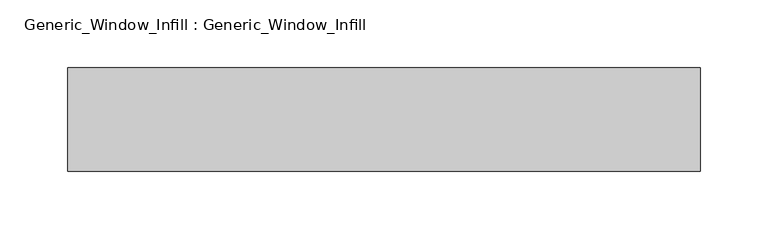
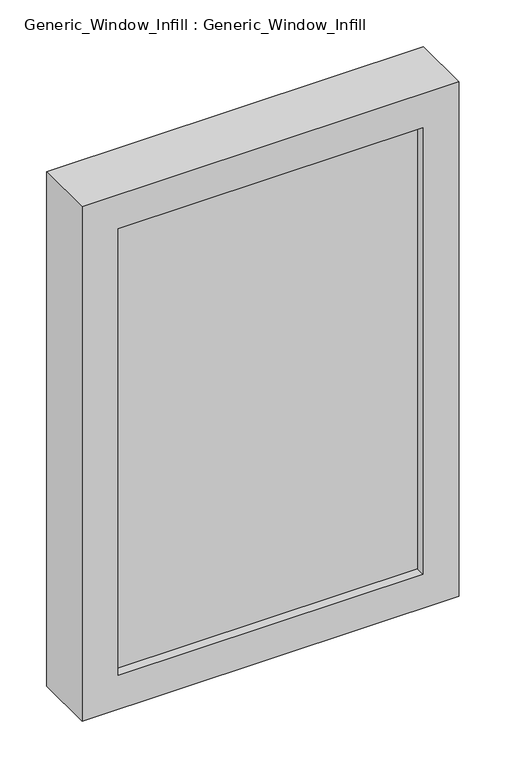
"""IFC4 building model written with IfcOpenShell, lengths in millimetres: plate geometry, Generic_Window_Infill : Generic_Window_Infill."""

import ifcopenshell
import ifcopenshell.guid

model = None  # the IFC model being written
_history = None  # IfcOwnerHistory: only IFC2X3 demands one
_inside = {}  # id of a spatial element -> (the spatial element, [elements in it])
_under = {}  # id of a project, library or spatial element -> (it, [spatial elements below it])
_declared = {}  # id of a project -> (the project, [libraries it declares])
_typed = {}  # id of a type object -> (the type object, [elements of that type])
_made_of = {}  # id of a material, layer set ... -> (it, [elements and type objects made of it])


def new_model(schema):
    """Start an empty IFC model of exactly this schema.

    Asked for "IFC4X3", IfcOpenShell would pick the latest addendum, in which some entities
    have other attributes; the version numbers below select the first issue.
    IFC2X3 requires an IfcOwnerHistory on every rooted entity: one is made here for all.
    """
    global model, _history
    if schema == "IFC4X3":
        model = ifcopenshell.file(schema_version=(4, 3, 0, 0))
    else:
        model = ifcopenshell.file(schema=schema)
    _inside.clear()
    _under.clear()
    _declared.clear()
    _typed.clear()
    _made_of.clear()
    _history = None
    if model.schema == "IFC2X3":
        org = make("IfcOrganization", Name="unknown")
        user = make(
            "IfcPersonAndOrganization",
            ThePerson=make("IfcPerson", FamilyName="unknown"),
            TheOrganization=org,
        )
        app = make(
            "IfcApplication",
            ApplicationDeveloper=org,
            Version="unknown",
            ApplicationFullName="unknown",
            ApplicationIdentifier="unknown",
        )
        _history = make(
            "IfcOwnerHistory",
            OwningUser=user,
            OwningApplication=app,
            ChangeAction="ADDED",
            CreationDate=0,
        )
    return model


def make(cls, **values):
    """One entity of the class cls with the attributes given. An attribute that is None is left unset."""
    return model.create_entity(
        cls, **{name: value for name, value in values.items() if value is not None}
    )


def rooted(cls, **values):
    """An entity with a GlobalId (a new one), such as an element, a storey or a relation."""
    return make(cls, GlobalId=ifcopenshell.guid.new(), OwnerHistory=_history, **values)


def si_unit(unit_type, name, prefix=None):
    """IfcSIUnit, for example si_unit("LENGTHUNIT", "METRE", prefix="MILLI")."""
    return make("IfcSIUnit", UnitType=unit_type, Prefix=prefix, Name=name)


def assignment(units):
    """IfcUnitAssignment: the units of a project."""
    return None if units is None else make("IfcUnitAssignment", Units=units)


def point(xyz):
    """IfcCartesianPoint."""
    return None if xyz is None else make("IfcCartesianPoint", Coordinates=xyz)


def direction(xyz):
    """IfcDirection."""
    return None if xyz is None else make("IfcDirection", DirectionRatios=xyz)


def frame(location, z_axis=None, x_axis=None):
    """IfcAxis2Placement3D, a coordinate frame: its origin and axes. An axis left out is left unset."""
    return make(
        "IfcAxis2Placement3D",
        Location=point(location),
        Axis=direction(z_axis),
        RefDirection=direction(x_axis),
    )


def origin():
    """The frame at (0, 0, 0) with its axes left unset."""
    return frame((0.0, 0.0, 0.0))


def place(relative_to, where):
    """IfcLocalPlacement: puts the frame where relative to a parent placement (None: the world)."""
    return make(
        "IfcLocalPlacement", PlacementRelTo=relative_to, RelativePlacement=where
    )


def context(
    kind, dimensions, precision=None, world=None, true_north=None, identifier=None
):
    """IfcGeometricRepresentationContext, for example the 3D "Model" context."""
    return make(
        "IfcGeometricRepresentationContext",
        ContextIdentifier=identifier,
        ContextType=kind,
        CoordinateSpaceDimension=dimensions,
        Precision=precision,
        WorldCoordinateSystem=world,
        TrueNorth=true_north,
    )


def project(units=None, contexts=None):
    """IfcProject with its units and contexts."""
    return rooted(
        "IfcProject",
        Name="project",
        RepresentationContexts=contexts,
        UnitsInContext=assignment(units),
    )


def spatial(cls, under=None, at=None, **own):
    """A site, building, storey or space (cls), placed at a placement, below another one or the project."""
    s = rooted(cls, ObjectPlacement=at, **own)
    if under is not None:
        _under.setdefault(under.id(), (under, []))[1].append(s)
    return s


def polyline(points):
    """IfcPolyline through the points."""
    return make("IfcPolyline", Points=[point(p) for p in points])


def outline(outer, holes=None, kind="AREA"):
    """IfcArbitraryClosedProfileDef: a profile drawn as a closed curve; with holes, ...WithVoids."""
    if holes is None:
        return make("IfcArbitraryClosedProfileDef", ProfileType=kind, OuterCurve=outer)
    return make(
        "IfcArbitraryProfileDefWithVoids",
        ProfileType=kind,
        OuterCurve=outer,
        InnerCurves=holes,
    )


def extrude(swept, where, along, depth):
    """IfcExtrudedAreaSolid: the profile swept, set in the frame where, extruded along a direction by depth."""
    return make(
        "IfcExtrudedAreaSolid",
        SweptArea=swept,
        Position=where,
        ExtrudedDirection=direction(along),
        Depth=depth,
    )


def shape(context_of_items, identifier, shape_type, items):
    """IfcShapeRepresentation: the items that make up one representation, for example the "Body"."""
    return make(
        "IfcShapeRepresentation",
        ContextOfItems=context_of_items,
        RepresentationIdentifier=identifier,
        RepresentationType=shape_type,
        Items=items,
    )


def source(mapping_origin, context_of_items, identifier, shape_type, items):
    """IfcRepresentationMap: a shape defined once, which mapped items show again and again."""
    return make(
        "IfcRepresentationMap",
        MappingOrigin=mapping_origin,
        MappedRepresentation=shape(context_of_items, identifier, shape_type, items),
    )


def transform(
    local_origin,
    x_axis=None,
    y_axis=None,
    z_axis=None,
    scale=None,
    scale2=None,
    scale3=None,
    uniform=True,
):
    """IfcCartesianTransformationOperator3D, or its non-uniform kind. x_axis, y_axis, z_axis: its Axis1, 2, 3."""
    if uniform:
        return make(
            "IfcCartesianTransformationOperator3D",
            Axis1=direction(x_axis),
            Axis2=direction(y_axis),
            LocalOrigin=point(local_origin),
            Scale=scale,
            Axis3=direction(z_axis),
        )
    return make(
        "IfcCartesianTransformationOperator3DnonUniform",
        Axis1=direction(x_axis),
        Axis2=direction(y_axis),
        LocalOrigin=point(local_origin),
        Scale=scale,
        Axis3=direction(z_axis),
        Scale2=scale2,
        Scale3=scale3,
    )


def mapped(mapping_source, mapping_target):
    """IfcMappedItem: shows the shape of a source again, moved by a transform."""
    return make(
        "IfcMappedItem", MappingSource=mapping_source, MappingTarget=mapping_target
    )


def made_of(thing, what):
    """Note that an element or type object is made of a material, layer set ...; save() writes the relation."""
    if what is not None:
        _made_of.setdefault(what.id(), (what, []))[1].append(thing)
    return thing


def element(
    cls,
    number,
    at=None,
    inside=None,
    cuts=None,
    type_object=None,
    material=None,
    context=None,
    identifier="Body",
    shape_type=None,
    held_by="IfcProductDefinitionShape",
    body=None,
    shapes=None,
    **own,
):
    """One element of the class cls, such as IfcWall. Its Tag is "e" and its number.

    at: its placement. inside: the storey or other place that contains it. cuts: it is an
    opening in that element (IfcRelVoidsElement). A single representation is given by context,
    identifier, shape_type and body (its items); several are given by shapes. held_by: the class
    of the entity that holds the representations. save() writes the other relations.
    """
    e = rooted(cls, Tag="e%d" % number, ObjectPlacement=at, **own)
    if body is not None:
        shapes = [shape(context, identifier, shape_type, body)]
    if shapes is not None:
        e.Representation = make(held_by, Representations=shapes)
    if inside is not None:
        _inside.setdefault(inside.id(), (inside, []))[1].append(e)
    if cuts is not None:
        rooted(
            "IfcRelVoidsElement", RelatingBuildingElement=cuts, RelatedOpeningElement=e
        )
    if type_object is not None:
        _typed.setdefault(type_object.id(), (type_object, []))[1].append(e)
    return made_of(e, material)


def aggregate(whole, parts):
    """IfcRelAggregates: a whole, such as a stair, and the parts it consists of."""
    return rooted("IfcRelAggregates", RelatingObject=whole, RelatedObjects=parts)


def save(model, path):
    """Write the relations noted so far, then the file.

    IfcRelAggregates (storeys below a building ...), IfcRelContainedInSpatialStructure (elements
    in a storey), IfcRelDefinesByType, IfcRelAssociatesMaterial and IfcRelDeclares: one each for
    every whole, place, type object, material and project.
    """
    for whole, parts in _under.values():
        aggregate(whole, parts)
    for where, things in _inside.values():
        rooted(
            "IfcRelContainedInSpatialStructure",
            RelatedElements=things,
            RelatingStructure=where,
        )
    for kind, things in _typed.values():
        rooted("IfcRelDefinesByType", RelatedObjects=things, RelatingType=kind)
    for what, things in _made_of.values():
        rooted("IfcRelAssociatesMaterial", RelatedObjects=things, RelatingMaterial=what)
    for by, libraries in _declared.values():
        rooted("IfcRelDeclares", RelatingContext=by, RelatedDefinitions=libraries)
    model.write(path)


def generic_window_infill_generic_window_infill_683b648d(model_context):
    return source(origin(), model_context, "Body", "SweptSolid", [
        extrude(outline(polyline([(188.9125, 12.0261239), (-188.9125, 12.0261239), (-188.9125, 42.4497356), (188.9125, 42.4497356), (188.9125, 12.0261239)])), frame((0.0, 0.0, 44.45), z_axis=(0.0, 0.0, 1.0), x_axis=(1.0, 0.0, 0.0)), (0.0, 0.0, 1.0), 584.2),
        extrude(outline(polyline([(673.1, 233.3625), (673.1, -233.3625), (0.0, -233.3625), (0.0, 233.3625), (673.1, 233.3625)]), holes=[polyline([(44.45, 188.9125), (44.45, -188.9125), (628.65, -188.9125), (628.65, 188.9125), (44.45, 188.9125)])]), frame((0.0, 0.0, 0.0), z_axis=(0.0, 1.0, 0.0), x_axis=(0.0, 0.0, 1.0)), (0.0, 0.0, 1.0), 76.2),
    ])


if __name__ == "__main__":
    model = new_model("IFC4")
    model_context = context("Model", 3, world=origin())
    ifc_project = project(units=[si_unit("LENGTHUNIT", "METRE", prefix="MILLI")], contexts=[model_context])
    site = spatial("IfcSite", under=ifc_project)
    building = spatial("IfcBuilding", under=site)
    placement = place(None, origin())
    generic_window_infill_generic_window_infill_shape = generic_window_infill_generic_window_infill_683b648d(model_context)
    element("IfcPlate", 1, ObjectType="Generic_Window_Infill : Generic_Window_Infill", at=placement, inside=building, context=model_context, shape_type="MappedRepresentation", body=[
        mapped(generic_window_infill_generic_window_infill_shape, transform((0.0, 0.0, 0.0), x_axis=(1.0, 0.0, 0.0), y_axis=(0.0, 1.0, 0.0), z_axis=(0.0, 0.0, 1.0))),
    ])
    save(model, "model.ifc")
